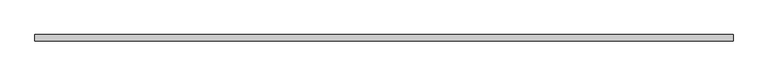
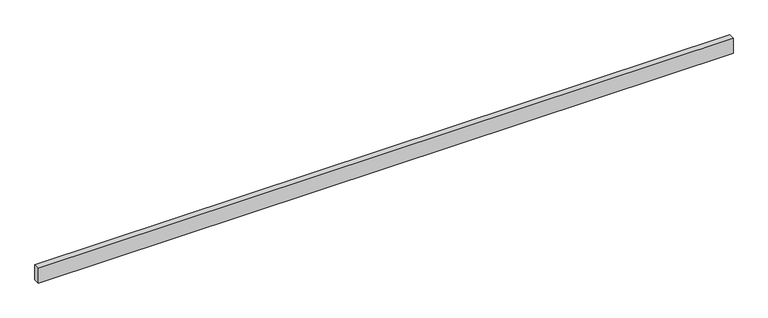
"""IFC4 building model written with IfcOpenShell, lengths in millimetres: beam geometry."""

from ifc_helpers import new_model, si_unit, frame, origin, place, context, project, spatial, polyline, outline, extrude, source, transform, mapped, element, save


def beam_9943f007(model_context):
    return source(origin(), model_context, "Body", "SweptSolid", [
        extrude(outline(polyline([(1125.0, 10.0), (1125.0, -10.0), (-1125.0, -10.0), (-1125.0, 10.0), (1125.0, 10.0)])), frame((0.0, 0.0, -25.0), z_axis=(0.0, 0.0, 1.0), x_axis=(1.0, 0.0, 0.0)), (0.0, 0.0, 1.0), 50.0),
    ])


if __name__ == "__main__":
    model = new_model("IFC4")
    model_context = context("Model", 3, world=origin())
    ifc_project = project(units=[si_unit("LENGTHUNIT", "METRE", prefix="MILLI")], contexts=[model_context])
    site = spatial("IfcSite", under=ifc_project)
    building = spatial("IfcBuilding", under=site)
    placement = place(None, origin())
    beam_shape = beam_9943f007(model_context)
    element("IfcBeam", 1, at=placement, inside=building, context=model_context, shape_type="MappedRepresentation", body=[
        mapped(beam_shape, transform((0.0, 0.0, 0.0), x_axis=(1.0, 0.0, 0.0), y_axis=(0.0, 1.0, 0.0), z_axis=(0.0, 0.0, 1.0))),
    ])
    save(model, "model.ifc")
